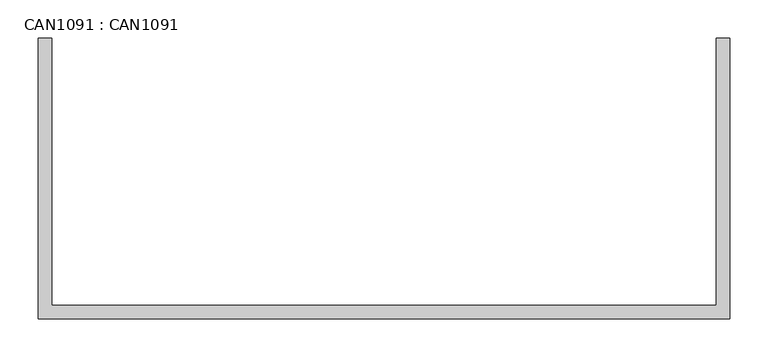
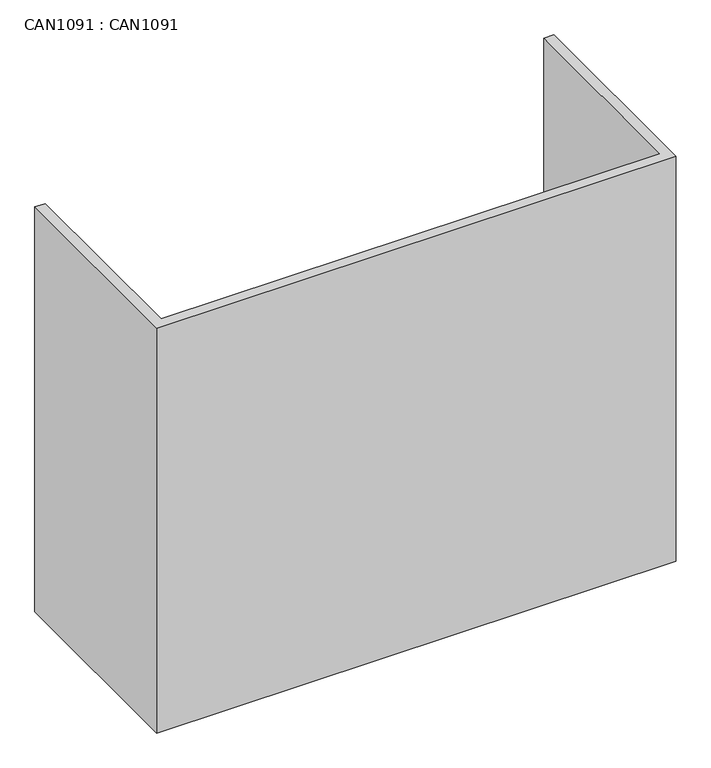
"""IFC4 building model written with IfcOpenShell, lengths in millimetres: proxy geometry, CAN1091 : CAN1091."""

from ifc_helpers import new_model, si_unit, origin, origin_with_axes, place, context, project, spatial, polyline, outline, extrude, source, transform, mapped, element, save


def can1091_can1091_35700e23(model_context):
    return source(origin(), model_context, "Body", "SweptSolid", [
        extrude(outline(polyline([(9.0, 0.0), (9.0, -352.0), (883.0, -352.0), (883.0, 0.0), (901.0, 0.0), (901.0, -370.0), (-9.0, -370.0), (-9.0, 0.0), (9.0, 0.0)])), origin_with_axes(), (0.0, 0.0, 1.0), 750.0),
    ])


if __name__ == "__main__":
    model = new_model("IFC4")
    model_context = context("Model", 3, world=origin())
    ifc_project = project(units=[si_unit("LENGTHUNIT", "METRE", prefix="MILLI")], contexts=[model_context])
    site = spatial("IfcSite", under=ifc_project)
    building = spatial("IfcBuilding", under=site)
    placement = place(None, origin())
    can1091_can1091_shape = can1091_can1091_35700e23(model_context)
    element("IfcBuildingElementProxy", 1, Name="CAN1091 : CAN1091", ObjectType="CAN1091 : CAN1091", at=placement, inside=building, context=model_context, shape_type="MappedRepresentation", body=[
        mapped(can1091_can1091_shape, transform((0.0, 0.0, 0.0), x_axis=(1.0, 0.0, 0.0), y_axis=(0.0, 1.0, 0.0), z_axis=(0.0, 0.0, 1.0))),
    ])
    save(model, "model.ifc")
